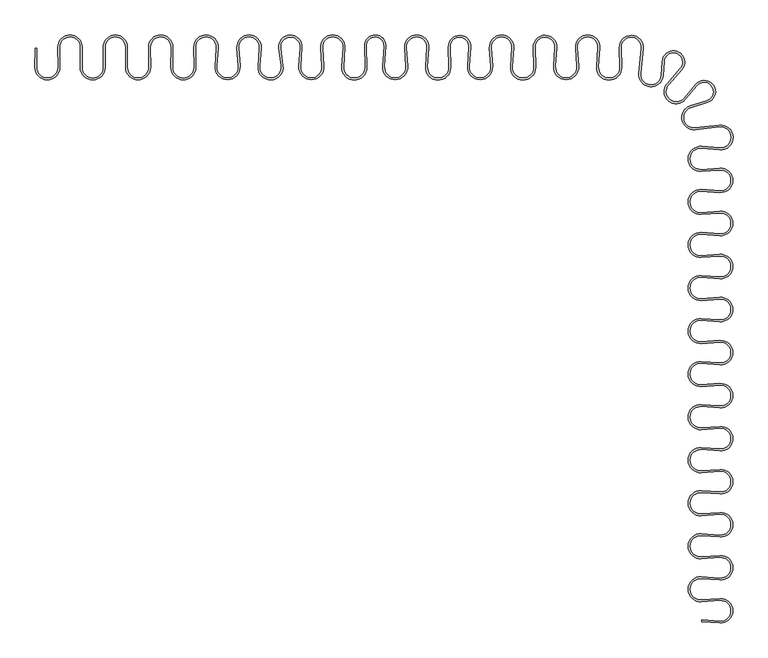
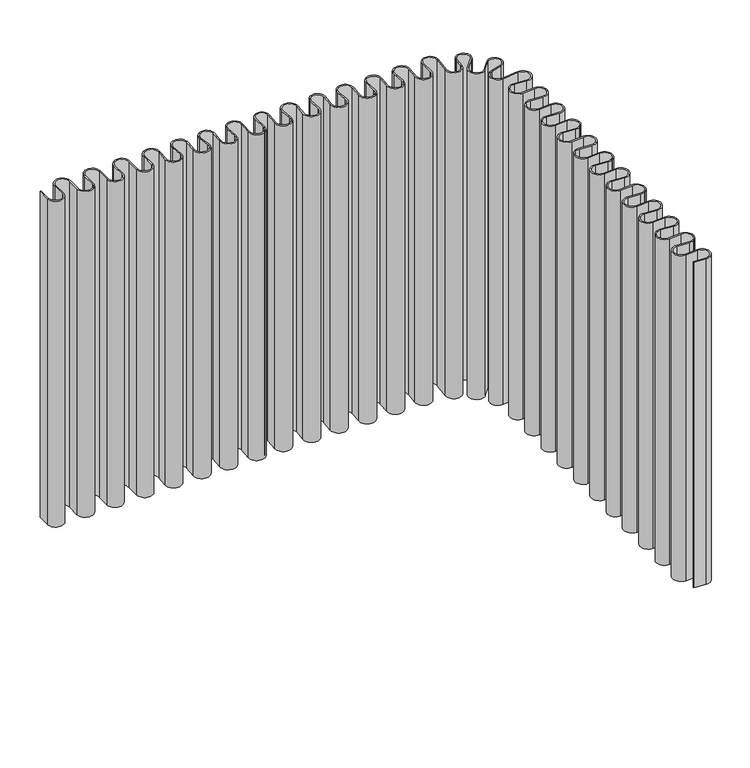
"""IFC4 building model written with IfcOpenShell, lengths in millimetres: furniture geometry."""

from ifc_helpers import new_model, si_unit, point, frame, frame_2d, origin, place, context, project, spatial, polyline, circle_curve, trimmed, segment, composite_curve, outline, extrude, source, transform, mapped, element, save


def furniture_e4f21b2a(model_context):
    return source(origin(), model_context, "Body", "SweptSolid", [
        extrude(outline(composite_curve([segment(polyline([(1247.5068659, -813.2319723), (1247.9999408, -808.1816992), (1298.786854, -811.7335267)]), True, "CONTINUOUS"), segment(trimmed(circle_curve(frame_2d((1300.7979475, -782.9772783)), 28.8264864), [point((1298.786854, -811.7335267))], [point((1298.786854, -754.22103))], True, "CARTESIAN"), True, "CONTINUOUS"), segment(polyline([(1298.786854, -754.22103), (1247.3657609, -757.8172094)]), True, "CONTINUOUS"), segment(trimmed(circle_curve(frame_2d((1244.9292017, -722.9773069)), 34.925), [point((1247.3657609, -757.8172094))], [point((1247.3657609, -688.1374045))], False, "CARTESIAN"), True, "CONTINUOUS"), segment(polyline([(1247.3657609, -688.1374045), (1298.8227085, -691.7360914)]), True, "CONTINUOUS"), segment(trimmed(circle_curve(frame_2d((1300.8339774, -662.9773355)), 28.829), [point((1298.8227085, -691.7360914))], [point((1298.8227085, -634.2185797))], True, "CARTESIAN"), True, "CONTINUOUS"), segment(polyline([(1298.8227085, -634.2185797), (1247.3668, -637.8171939)]), True, "CONTINUOUS"), segment(trimmed(circle_curve(frame_2d((1244.9302408, -602.9772915)), 34.925), [point((1247.3668, -637.8171939))], [point((1247.3668, -568.137389))], False, "CARTESIAN"), True, "CONTINUOUS"), segment(polyline([(1247.3668, -568.137389), (1298.8227085, -571.7360033)]), True, "CONTINUOUS"), segment(trimmed(circle_curve(frame_2d((1300.8339774, -542.9772474)), 28.829), [point((1298.8227085, -571.7360033))], [point((1298.8227085, -514.2184916))], True, "CARTESIAN"), True, "CONTINUOUS"), segment(polyline([(1298.8227085, -514.2184916), (1247.3655207, -517.8171953)]), True, "CONTINUOUS"), segment(trimmed(circle_curve(frame_2d((1244.9289614, -482.9772928)), 34.925), [point((1247.3655207, -517.8171953))], [point((1247.3655207, -448.1373904))], False, "CARTESIAN"), True, "CONTINUOUS"), segment(polyline([(1247.3655207, -448.1373904), (1298.8227085, -451.7360941)]), True, "CONTINUOUS"), segment(trimmed(circle_curve(frame_2d((1300.8339774, -422.9773382)), 28.829), [point((1298.8227085, -451.7360941))], [point((1298.8227085, -394.2185824))], True, "CARTESIAN"), True, "CONTINUOUS"), segment(polyline([(1298.8227085, -394.2185824), (1247.3660201, -397.8172512)]), True, "CONTINUOUS"), segment(trimmed(circle_curve(frame_2d((1244.9294609, -362.9773487)), 34.925), [point((1247.3660201, -397.8172512))], [point((1247.3660201, -328.1374462))], False, "CARTESIAN"), True, "CONTINUOUS"), segment(polyline([(1247.3660201, -328.1374462), (1298.8227085, -331.7361151)]), True, "CONTINUOUS"), segment(trimmed(circle_curve(frame_2d((1300.8339774, -302.9773592)), 28.829), [point((1298.8227085, -331.7361151))], [point((1298.8227085, -274.2186033))], True, "CARTESIAN"), True, "CONTINUOUS"), segment(polyline([(1298.8227085, -274.2186033), (1247.3665408, -277.8172357)]), True, "CONTINUOUS"), segment(trimmed(circle_curve(frame_2d((1244.9299816, -242.9773333)), 34.925), [point((1247.3665408, -277.8172357))], [point((1247.3665408, -208.1374308))], False, "CARTESIAN"), True, "CONTINUOUS"), segment(polyline([(1247.3665408, -208.1374308), (1298.8227085, -211.7360632)]), True, "CONTINUOUS"), segment(trimmed(circle_curve(frame_2d((1300.8339774, -182.9773073)), 28.829), [point((1298.8227085, -211.7360632))], [point((1298.8227085, -154.2185515))], True, "CARTESIAN"), True, "CONTINUOUS"), segment(polyline([(1298.8227085, -154.2185515), (1247.3660201, -157.8172203)]), True, "CONTINUOUS"), segment(trimmed(circle_curve(frame_2d((1244.9294608, -122.9773178)), 34.925), [point((1247.3660201, -157.8172203))], [point((1247.3660201, -88.1374154))], False, "CARTESIAN"), True, "CONTINUOUS"), segment(polyline([(1247.3660201, -88.1374154), (1298.8227085, -91.7360842)]), True, "CONTINUOUS"), segment(trimmed(circle_curve(frame_2d((1300.8339774, -62.9773283)), 28.829), [point((1298.8227085, -91.7360842))], [point((1298.8227085, -34.2185724))], True, "CARTESIAN"), True, "CONTINUOUS"), segment(polyline([(1298.8227085, -34.2185724), (1247.365761, -37.8172594)]), True, "CONTINUOUS"), segment(trimmed(circle_curve(frame_2d((1244.9292017, -2.9773569)), 34.925), [point((1247.365761, -37.8172594))], [point((1247.365761, 31.8625456))], False, "CARTESIAN"), True, "CONTINUOUS"), segment(polyline([(1247.365761, 31.8625456), (1298.8227085, 28.2638586)]), True, "CONTINUOUS"), segment(trimmed(circle_curve(frame_2d((1300.8339774, 57.0226145)), 28.829), [point((1298.8227085, 28.2638586))], [point((1298.8227085, 85.7813703))], True, "CARTESIAN"), True, "CONTINUOUS"), segment(polyline([(1298.8227085, 85.7813703), (1247.3662805, 82.1827197)]), True, "CONTINUOUS"), segment(trimmed(circle_curve(frame_2d((1244.9297212, 117.0226222)), 34.925), [point((1247.3662805, 82.1827197))], [point((1247.3662805, 151.8625247))], False, "CARTESIAN"), True, "CONTINUOUS"), segment(polyline([(1247.3662805, 151.8625247), (1298.8227085, 148.2638741)]), True, "CONTINUOUS"), segment(trimmed(circle_curve(frame_2d((1300.8339774, 177.0226299)), 28.829), [point((1298.8227085, 148.2638741))], [point((1298.8227085, 205.7813858))], True, "CARTESIAN"), True, "CONTINUOUS"), segment(polyline([(1298.8227085, 205.7813858), (1247.3662805, 202.1827352)]), True, "CONTINUOUS"), segment(trimmed(circle_curve(frame_2d((1244.9297212, 237.0226377)), 34.925), [point((1247.3662805, 202.1827352))], [point((1247.3662805, 271.8625401))], False, "CARTESIAN"), True, "CONTINUOUS"), segment(polyline([(1247.3662805, 271.8625401), (1298.8227085, 268.2638895)]), True, "CONTINUOUS"), segment(trimmed(circle_curve(frame_2d((1300.8339774, 297.0226454)), 28.829), [point((1298.8227085, 268.2638895))], [point((1298.8227085, 325.7814012))], True, "CARTESIAN"), True, "CONTINUOUS"), segment(polyline([(1298.8227085, 325.7814012), (1247.3662804, 322.1827506)]), True, "CONTINUOUS"), segment(trimmed(circle_curve(frame_2d((1244.9297212, 357.0226531)), 34.925), [point((1247.3662804, 322.1827506))], [point((1247.3662804, 391.8625556))], False, "CARTESIAN"), True, "CONTINUOUS"), segment(polyline([(1247.3662804, 391.8625556), (1298.8227085, 388.263905)]), True, "CONTINUOUS"), segment(trimmed(circle_curve(frame_2d((1300.8339774, 417.0226608)), 28.829), [point((1298.8227085, 388.263905))], [point((1298.8227085, 445.7814167))], True, "CARTESIAN"), True, "CONTINUOUS"), segment(polyline([(1298.8227085, 445.7814167), (1247.4030977, 442.1853409)]), True, "CONTINUOUS"), segment(trimmed(circle_curve(frame_2d((1244.9665384, 477.0252434)), 34.925), [point((1247.4030977, 442.1853409))], [point((1247.9561087, 511.8220549))], False, "CARTESIAN"), True, "CONTINUOUS"), segment(polyline([(1247.9561087, 511.8220549), (1298.0267531, 507.5202323)]), True, "CONTINUOUS"), segment(trimmed(circle_curve(frame_2d((1300.5594358, 536.9991459)), 29.5875113), [point((1298.0267531, 507.5202323))], [point((1297.2828271, 566.4046668))], True, "CARTESIAN"), True, "CONTINUOUS"), segment(polyline([(1297.2828271, 566.4046668), (1229.7123036, 558.8753948)]), True, "CONTINUOUS"), segment(trimmed(circle_curve(frame_2d((1225.9711848, 592.4496045)), 33.782), [point((1229.7123036, 558.8753948))], [point((1215.8418924, 624.6772472))], False, "CARTESIAN"), True, "CONTINUOUS"), segment(polyline([(1215.8418924, 624.6772472), (1262.6802664, 639.398758)]), True, "CONTINUOUS"), segment(trimmed(circle_curve(frame_2d((1254.8386815, 664.3477657)), 26.1523124), [point((1262.6802664, 639.398758))], [point((1234.8280333, 681.1857408))], True, "CARTESIAN"), True, "CONTINUOUS"), segment(polyline([(1234.8280333, 681.1857408), (1202.6976655, 643.0012511)]), True, "CONTINUOUS"), segment(trimmed(circle_curve(frame_2d((1176.827048, 664.7701018)), 33.8108224), [point((1202.6976655, 643.0012511))], [point((1151.475929, 687.1417909))], False, "CARTESIAN"), True, "CONTINUOUS"), segment(polyline([(1151.475929, 687.1417909), (1188.7031464, 729.3268765)]), True, "CONTINUOUS"), segment(trimmed(circle_curve(frame_2d((1169.1164475, 746.6116179)), 26.1228073), [point((1188.7031464, 729.3268765))], [point((1143.060142, 748.4744131))], True, "CARTESIAN"), True, "CONTINUOUS"), segment(polyline([(1143.060142, 748.4744131), (1140.2795642, 709.5803981)]), True, "CONTINUOUS"), segment(trimmed(circle_curve(frame_2d((1106.5556805, 711.9913572)), 33.809955), [point((1140.2795642, 709.5803981))], [point((1072.8894672, 715.1057007))], False, "CARTESIAN"), True, "CONTINUOUS"), segment(polyline([(1072.8894672, 715.1057007), (1079.4203091, 785.7044385)]), True, "CONTINUOUS"), segment(trimmed(circle_curve(frame_2d((1051.4905507, 788.2881226)), 28.0490076), [point((1079.4203091, 785.7044385))], [point((1023.4497606, 787.6092154))], True, "CARTESIAN"), True, "CONTINUOUS"), segment(polyline([(1023.4497606, 787.6092154), (1024.7883505, 732.3216642)]), True, "CONTINUOUS"), segment(trimmed(circle_curve(frame_2d((989.8735824, 731.4763282)), 34.925), [point((1024.7883505, 732.3216642))], [point((955.03368, 733.9128894))], False, "CARTESIAN"), True, "CONTINUOUS"), segment(polyline([(955.03368, 733.9128894), (958.7031364, 786.3817142)]), True, "CONTINUOUS"), segment(trimmed(circle_curve(frame_2d((929.9536471, 788.3923366)), 28.8197109), [point((958.7031364, 786.3817142))], [point((901.2041591, 786.3816951))], True, "CARTESIAN"), True, "CONTINUOUS"), segment(polyline([(901.2041591, 786.3816951), (904.793557, 735.0581007)]), True, "CONTINUOUS"), segment(trimmed(circle_curve(frame_2d((869.9536563, 732.6215164)), 34.925), [point((904.793557, 735.0581007))], [point((835.1137557, 735.0581027))], False, "CARTESIAN"), True, "CONTINUOUS"), segment(polyline([(835.1137557, 735.0581027), (838.7345032, 786.8299126)]), True, "CONTINUOUS"), segment(trimmed(circle_curve(frame_2d((811.1159639, 788.7614611)), 27.686), [point((838.7345032, 786.8299126))], [point((783.438075, 788.0913402))], True, "CARTESIAN"), True, "CONTINUOUS"), segment(polyline([(783.438075, 788.0913402), (784.7883377, 732.3216642)]), True, "CONTINUOUS"), segment(trimmed(circle_curve(frame_2d((749.8735696, 731.4763282)), 34.925), [point((784.7883377, 732.3216642))], [point((715.0336673, 733.9128894))], False, "CARTESIAN"), True, "CONTINUOUS"), segment(polyline([(715.0336673, 733.9128894), (718.7031236, 786.3817142)]), True, "CONTINUOUS"), segment(trimmed(circle_curve(frame_2d((689.9536343, 788.3923366)), 28.8197109), [point((718.7031236, 786.3817142))], [point((661.2041464, 786.3816951))], True, "CARTESIAN"), True, "CONTINUOUS"), segment(polyline([(661.2041464, 786.3816951), (664.7935442, 735.0581007)]), True, "CONTINUOUS"), segment(trimmed(circle_curve(frame_2d((629.9536435, 732.6215164)), 34.925), [point((664.7935442, 735.0581007))], [point((595.113743, 735.0581027))], False, "CARTESIAN"), True, "CONTINUOUS"), segment(polyline([(595.113743, 735.0581027), (598.8316952, 788.2198082)]), True, "CONTINUOUS"), segment(trimmed(circle_curve(frame_2d((572.7344374, 790.0449633)), 26.1610025), [point((598.8316952, 788.2198082))], [point((546.5810992, 789.411754))], True, "CARTESIAN"), True, "CONTINUOUS"), segment(polyline([(546.5810992, 789.411754), (547.9633311, 732.3216642)]), True, "CONTINUOUS"), segment(trimmed(circle_curve(frame_2d((513.048563, 731.4763282)), 34.925), [point((547.9633311, 732.3216642))], [point((478.2086606, 733.9128894))], False, "CARTESIAN"), True, "CONTINUOUS"), segment(polyline([(478.2086606, 733.9128894), (481.878117, 786.3817142)]), True, "CONTINUOUS"), segment(trimmed(circle_curve(frame_2d((453.1286276, 788.3923366)), 28.8197109), [point((481.878117, 786.3817142))], [point((424.3791397, 786.3816951))], True, "CARTESIAN"), True, "CONTINUOUS"), segment(polyline([(424.3791397, 786.3816951), (427.9685376, 735.0581007)]), True, "CONTINUOUS"), segment(trimmed(circle_curve(frame_2d((393.1286368, 732.6215164)), 34.925), [point((427.9685376, 735.0581007))], [point((358.2887363, 735.0581027))], False, "CARTESIAN"), True, "CONTINUOUS"), segment(polyline([(358.2887363, 735.0581027), (362.1755684, 790.634564)]), True, "CONTINUOUS"), segment(trimmed(circle_curve(frame_2d((337.5513822, 792.3566974)), 24.6843329), [point((362.1755684, 790.634564))], [point((312.874281, 791.7592298))], True, "CARTESIAN"), True, "CONTINUOUS"), segment(polyline([(312.874281, 791.7592298), (314.3133486, 732.3216642)]), True, "CONTINUOUS"), segment(trimmed(circle_curve(frame_2d((279.3985805, 731.4763282)), 34.925), [point((314.3133486, 732.3216642))], [point((244.5586782, 733.9128894))], False, "CARTESIAN"), True, "CONTINUOUS"), segment(polyline([(244.5586782, 733.9128894), (248.2281345, 786.3817142)]), True, "CONTINUOUS"), segment(trimmed(circle_curve(frame_2d((219.4786452, 788.3923366)), 28.8197109), [point((248.2281345, 786.3817142))], [point((190.7291572, 786.3816951))], True, "CARTESIAN"), True, "CONTINUOUS"), segment(polyline([(190.7291572, 786.3816951), (194.3185551, 735.0581007)]), True, "CONTINUOUS"), segment(trimmed(circle_curve(frame_2d((159.4786544, 732.6215164)), 34.925), [point((194.3185551, 735.0581007))], [point((124.6387538, 735.0581027))], False, "CARTESIAN"), True, "CONTINUOUS"), segment(polyline([(124.6387538, 735.0581027), (128.2988715, 787.3928521)]), True, "CONTINUOUS"), segment(trimmed(circle_curve(frame_2d((101.0398988, 789.2992536)), 27.325555), [point((128.2988715, 787.3928521))], [point((73.9512946, 785.7085046))], True, "CARTESIAN"), True, "CONTINUOUS"), segment(polyline([(73.9512946, 785.7085046), (80.4431451, 736.7339951)]), True, "CONTINUOUS"), segment(trimmed(circle_curve(frame_2d((45.8299736, 732.1458218)), 34.9159416), [point((80.4431451, 736.7339951))], [point((10.9970492, 734.5521387))], False, "CARTESIAN"), True, "CONTINUOUS"), segment(polyline([(10.9970492, 734.5521387), (14.5755584, 786.3532701)]), True, "CONTINUOUS"), segment(trimmed(circle_curve(frame_2d((-14.1494313, 788.3376406)), 28.79345), [point((14.5755584, 786.3532701))], [point((-42.8727223, 786.3288312))], True, "CARTESIAN"), True, "CONTINUOUS"), segment(polyline([(-42.8727223, 786.3288312), (-39.2870215, 735.0581007)]), True, "CONTINUOUS"), segment(trimmed(circle_curve(frame_2d((-74.1269223, 732.6215164)), 34.925), [point((-39.2870215, 735.0581007))], [point((-108.9668228, 735.0581027))], False, "CARTESIAN"), True, "CONTINUOUS"), segment(polyline([(-108.9668228, 735.0581027), (-105.393721, 786.1486427)]), True, "CONTINUOUS"), segment(trimmed(circle_curve(frame_2d((-134.1274246, 788.158182)), 28.8038881), [point((-105.393721, 786.1486427))], [point((-162.930712, 787.9721668))], True, "CARTESIAN"), True, "CONTINUOUS"), segment(polyline([(-162.930712, 787.9721668), (-162.5709614, 732.2670493)]), True, "CONTINUOUS"), segment(trimmed(circle_curve(frame_2d((-197.2850129, 732.0428617)), 34.7147754), [point((-162.5709614, 732.2670493))], [point((-231.9990641, 732.2670969))], False, "CARTESIAN"), True, "CONTINUOUS"), segment(polyline([(-231.9990641, 732.2670969), (-231.63837, 788.106459)]), True, "CONTINUOUS"), segment(trimmed(circle_curve(frame_2d((-260.4610207, 788.2926388)), 28.8232519), [point((-231.63837, 788.106459))], [point((-289.2835031, 788.0820289))], True, "CARTESIAN"), True, "CONTINUOUS"), segment(polyline([(-289.2835031, 788.0820289), (-288.8758352, 732.2916659)]), True, "CONTINUOUS"), segment(trimmed(circle_curve(frame_2d((-323.6735458, 732.0373942)), 34.7986396), [point((-288.8758352, 732.2916659))], [point((-358.4714597, 732.2621209))], False, "CARTESIAN"), True, "CONTINUOUS"), segment(polyline([(-358.4714597, 732.2621209), (-358.1106457, 788.1325295)]), True, "CONTINUOUS"), segment(trimmed(circle_curve(frame_2d((-386.8711897, 788.3182666)), 28.7611437), [point((-358.1106457, 788.1325295))], [point((-415.6317337, 788.1325274))], True, "CARTESIAN"), True, "CONTINUOUS"), segment(polyline([(-415.6317337, 788.1325274), (-415.2703741, 732.1782689)]), True, "CONTINUOUS"), segment(trimmed(circle_curve(frame_2d((-450.0674188, 731.9535453)), 34.7977703), [point((-415.2703741, 732.1782689))], [point((-484.8644632, 732.1783171))], False, "CARTESIAN"), True, "CONTINUOUS"), segment(polyline([(-484.8644632, 732.1783171), (-484.5015627, 788.3591379)]), True, "CONTINUOUS"), segment(trimmed(circle_curve(frame_2d((-513.2434971, 788.5447967)), 28.742534), [point((-484.5015627, 788.3591379))], [point((-541.9852639, 788.3347766))], True, "CARTESIAN"), True, "CONTINUOUS"), segment(polyline([(-541.9852639, 788.3347766), (-541.5752606, 732.2248228)]), True, "CONTINUOUS"), segment(trimmed(circle_curve(frame_2d((-576.394663, 731.9703926)), 34.8203319), [point((-541.5752606, 732.2248228))], [point((-611.2142684, 732.1953102))], False, "CARTESIAN"), True, "CONTINUOUS"), segment(polyline([(-611.2142684, 732.1953102), (-610.8685999, 785.7084378), (-605.8179634, 785.2186319), (-606.1564316, 732.8756285)]), True, "CONTINUOUS"), segment(trimmed(circle_curve(frame_2d((-576.3961034, 732.6831878)), 29.7609504), [point((-606.1564316, 732.8756285))], [point((-546.6357755, 732.8756681))], True, "CARTESIAN"), True, "CONTINUOUS"), segment(polyline([(-546.6357755, 732.8756681), (-546.9955684, 788.5050089)]), True, "CONTINUOUS"), segment(trimmed(circle_curve(frame_2d((-513.2211854, 788.7234509)), 33.7750894), [point((-546.9955684, 788.5050089))], [point((-479.4468018, 788.505103))], False, "CARTESIAN"), True, "CONTINUOUS"), segment(polyline([(-479.4468018, 788.505103), (-479.8099204, 732.3373753)]), True, "CONTINUOUS"), segment(trimmed(circle_curve(frame_2d((-450.0461481, 732.1449556)), 29.7643943), [point((-479.8099204, 732.3373753))], [point((-420.282376, 732.3374171))], True, "CARTESIAN"), True, "CONTINUOUS"), segment(polyline([(-420.282376, 732.3374171), (-420.6458342, 788.5454589)]), True, "CONTINUOUS"), segment(trimmed(circle_curve(frame_2d((-386.8711919, 788.763856)), 33.7753484), [point((-420.6458342, 788.5454589))], [point((-353.0965493, 788.5455064))], False, "CARTESIAN"), True, "CONTINUOUS"), segment(polyline([(-353.0965493, 788.5455064), (-353.4580921, 732.6215433)]), True, "CONTINUOUS"), segment(trimmed(circle_curve(frame_2d((-323.6961571, 732.4291354)), 29.7625569), [point((-353.4580921, 732.6215433))], [point((-293.9342225, 732.6215829))], True, "CARTESIAN"), True, "CONTINUOUS"), segment(polyline([(-293.9342225, 732.6215829), (-294.2966512, 788.6710456)]), True, "CONTINUOUS"), segment(trimmed(circle_curve(frame_2d((-260.521237, 788.8894452)), 33.7761203), [point((-294.2966512, 788.6710456))], [point((-226.7458225, 788.6710905))], False, "CARTESIAN"), True, "CONTINUOUS"), segment(polyline([(-226.7458225, 788.6710905), (-227.1094419, 732.4259075)]), True, "CONTINUOUS"), segment(trimmed(circle_curve(frame_2d((-197.346202, 732.2334912)), 29.7638619), [point((-227.1094419, 732.4259075))], [point((-167.5829624, 732.4259493))], True, "CARTESIAN"), True, "CONTINUOUS"), segment(polyline([(-167.5829624, 732.4259493), (-167.9465204, 788.6494295)]), True, "CONTINUOUS"), segment(trimmed(circle_curve(frame_2d((-134.0742889, 788.8684576)), 33.8729397), [point((-167.9465204, 788.6494295))], [point((-100.28389, 786.5051983))], False, "CARTESIAN"), True, "CONTINUOUS"), segment(polyline([(-100.28389, 786.5051983), (-103.8992003, 734.8127016)]), True, "CONTINUOUS"), segment(trimmed(circle_curve(frame_2d((-74.126926, 732.730465)), 29.845), [point((-103.8992003, 734.8127016))], [point((-44.3546513, 734.8126955))], True, "CARTESIAN"), True, "CONTINUOUS"), segment(polyline([(-44.3546513, 734.8126955), (-47.9575284, 786.3275729)]), True, "CONTINUOUS"), segment(trimmed(circle_curve(frame_2d((-14.1491242, 788.6920845)), 33.8909886), [point((-47.9575284, 786.3275729))], [point((19.6592765, 786.327524))], False, "CARTESIAN"), True, "CONTINUOUS"), segment(polyline([(19.6592765, 786.327524), (16.0614346, 734.8857102)]), True, "CONTINUOUS"), segment(trimmed(circle_curve(frame_2d((45.8089106, 732.8051708)), 29.8201437), [point((16.0614346, 734.8857102))], [point((75.3671634, 736.7486039))], True, "CARTESIAN"), True, "CONTINUOUS"), segment(polyline([(75.3671634, 736.7486039), (68.839694, 785.6756642)]), True, "CONTINUOUS"), segment(trimmed(circle_curve(frame_2d((101.0196011, 789.9688581)), 32.4650263), [point((68.839694, 785.6756642))], [point((133.4055172, 787.7038265))], False, "CARTESIAN"), True, "CONTINUOUS"), segment(polyline([(133.4055172, 787.7038265), (129.7063764, 734.8127016)]), True, "CONTINUOUS"), segment(trimmed(circle_curve(frame_2d((159.4786507, 732.730465)), 29.845), [point((129.7063764, 734.8127016))], [point((189.2509254, 734.8126955))], True, "CARTESIAN"), True, "CONTINUOUS"), segment(polyline([(189.2509254, 734.8126955), (185.653691, 786.2468916)]), True, "CONTINUOUS"), segment(trimmed(circle_curve(frame_2d((219.4786455, 788.6125607)), 33.9075794), [point((185.653691, 786.2468916))], [point((253.3035996, 786.2468846))], False, "CARTESIAN"), True, "CONTINUOUS"), segment(polyline([(253.3035996, 786.2468846), (249.6852183, 734.5104767)]), True, "CONTINUOUS"), segment(trimmed(circle_curve(frame_2d((279.4482479, 732.4288867)), 29.8357327), [point((249.6852183, 734.5104767))], [point((309.2746139, 733.1764403))], True, "CARTESIAN"), True, "CONTINUOUS"), segment(polyline([(309.2746139, 733.1764403), (307.8021022, 791.9276398)]), True, "CONTINUOUS"), segment(trimmed(circle_curve(frame_2d((337.5615565, 792.6735164)), 29.7688), [point((307.8021022, 791.9276398))], [point((367.2578164, 790.5965961))], False, "CARTESIAN"), True, "CONTINUOUS"), segment(polyline([(367.2578164, 790.5965961), (363.3563589, 734.8127016)]), True, "CONTINUOUS"), segment(trimmed(circle_curve(frame_2d((393.1286331, 732.730465)), 29.845), [point((363.3563589, 734.8127016))], [point((422.9009078, 734.8126955))], True, "CARTESIAN"), True, "CONTINUOUS"), segment(polyline([(422.9009078, 734.8126955), (419.3036734, 786.2468916)]), True, "CONTINUOUS"), segment(trimmed(circle_curve(frame_2d((453.128628, 788.6125607)), 33.9075794), [point((419.3036734, 786.2468916))], [point((486.953582, 786.2468846))], False, "CARTESIAN"), True, "CONTINUOUS"), segment(polyline([(486.953582, 786.2468846), (483.3352007, 734.5104767)]), True, "CONTINUOUS"), segment(trimmed(circle_curve(frame_2d((513.0982303, 732.4288867)), 29.8357327), [point((483.3352007, 734.5104767))], [point((542.9245963, 733.1764403))], True, "CARTESIAN"), True, "CONTINUOUS"), segment(polyline([(542.9245963, 733.1764403), (541.512254, 789.5269645)]), True, "CONTINUOUS"), segment(trimmed(circle_curve(frame_2d((572.7444458, 790.3097531)), 31.242), [point((541.512254, 789.5269645))], [point((603.9103159, 788.1300501))], False, "CARTESIAN"), True, "CONTINUOUS"), segment(polyline([(603.9103159, 788.1300501), (600.1813655, 734.8127016)]), True, "CONTINUOUS"), segment(trimmed(circle_curve(frame_2d((629.9536398, 732.730465)), 29.845), [point((600.1813655, 734.8127016))], [point((659.7259145, 734.8126955))], True, "CARTESIAN"), True, "CONTINUOUS"), segment(polyline([(659.7259145, 734.8126955), (656.1286801, 786.2468916)]), True, "CONTINUOUS"), segment(trimmed(circle_curve(frame_2d((689.9536347, 788.6125607)), 33.9075794), [point((656.1286801, 786.2468916))], [point((723.7785887, 786.2468846))], False, "CARTESIAN"), True, "CONTINUOUS"), segment(polyline([(723.7785887, 786.2468846), (720.1602074, 734.5104767)]), True, "CONTINUOUS"), segment(trimmed(circle_curve(frame_2d((749.923237, 732.4288867)), 29.8357327), [point((720.1602074, 734.5104767))], [point((779.749603, 733.1764403))], True, "CARTESIAN"), True, "CONTINUOUS"), segment(polyline([(779.749603, 733.1764403), (778.3706161, 788.1961296)]), True, "CONTINUOUS"), segment(trimmed(circle_curve(frame_2d((811.1263294, 789.017103)), 32.766), [point((778.3706161, 788.1961296))], [point((843.8124859, 786.731073))], False, "CARTESIAN"), True, "CONTINUOUS"), segment(polyline([(843.8124859, 786.731073), (840.1813783, 734.8127016)]), True, "CONTINUOUS"), segment(trimmed(circle_curve(frame_2d((869.9536525, 732.730465)), 29.845), [point((840.1813783, 734.8127016))], [point((899.7259272, 734.8126955))], True, "CARTESIAN"), True, "CONTINUOUS"), segment(polyline([(899.7259272, 734.8126955), (896.1286928, 786.2468916)]), True, "CONTINUOUS"), segment(trimmed(circle_curve(frame_2d((929.9536474, 788.6125607)), 33.9075794), [point((896.1286928, 786.2468916))], [point((963.7786014, 786.2468846))], False, "CARTESIAN"), True, "CONTINUOUS"), segment(polyline([(963.7786014, 786.2468846), (960.1602201, 734.5104767)]), True, "CONTINUOUS"), segment(trimmed(circle_curve(frame_2d((989.9232497, 732.4288867)), 29.8357327), [point((960.1602201, 734.5104767))], [point((1019.7496157, 733.1764403))], True, "CARTESIAN"), True, "CONTINUOUS"), segment(polyline([(1019.7496157, 733.1764403), (1018.3857321, 787.5935272)]), True, "CONTINUOUS"), segment(trimmed(circle_curve(frame_2d((1051.5008614, 788.4235089)), 33.1255288), [point((1018.3857321, 787.5935272))], [point((1084.4855584, 785.3722101))], False, "CARTESIAN"), True, "CONTINUOUS"), segment(polyline([(1084.4855584, 785.3722101), (1077.9588551, 714.81821)]), True, "CONTINUOUS"), segment(trimmed(circle_curve(frame_2d((1106.5704413, 712.1714524)), 28.7337465), [point((1077.9588551, 714.81821))], [point((1135.2310388, 710.1224668))], True, "CARTESIAN"), True, "CONTINUOUS"), segment(polyline([(1135.2310388, 710.1224668), (1138.0262267, 749.2207186)]), True, "CONTINUOUS"), segment(trimmed(circle_curve(frame_2d((1169.2738325, 746.9867841)), 31.3273576), [point((1138.0262267, 749.2207186))], [point((1192.7628692, 726.2583377))], False, "CARTESIAN"), True, "CONTINUOUS"), segment(polyline([(1192.7628692, 726.2583377), (1155.5238856, 684.0599098)]), True, "CONTINUOUS"), segment(trimmed(circle_curve(frame_2d((1177.0649409, 665.0505049)), 28.7293323), [point((1155.5238856, 684.0599098))], [point((1199.0474162, 646.5533344))], True, "CARTESIAN"), True, "CONTINUOUS"), segment(polyline([(1199.0474162, 646.5533344), (1231.2500364, 684.8236907)]), True, "CONTINUOUS"), segment(trimmed(circle_curve(frame_2d((1255.2522743, 664.6269895)), 31.369), [point((1231.2500364, 684.8236907))], [point((1264.6580459, 634.7013212))], False, "CARTESIAN"), True, "CONTINUOUS"), segment(polyline([(1264.6580459, 634.7013212), (1217.3075407, 619.8188453)]), True, "CONTINUOUS"), segment(trimmed(circle_curve(frame_2d((1225.9136313, 592.4374646)), 28.702), [point((1217.3075407, 619.8188453))], [point((1229.0921835, 563.9120092))], True, "CARTESIAN"), True, "CONTINUOUS"), segment(polyline([(1229.0921835, 563.9120092), (1296.9987564, 571.4787452)]), True, "CONTINUOUS"), segment(trimmed(circle_curve(frame_2d((1300.8379568, 537.0243993)), 34.6675844), [point((1296.9987564, 571.4787452))], [point((1297.8997356, 502.4815525))], False, "CARTESIAN"), True, "CONTINUOUS"), segment(polyline([(1297.8997356, 502.4815525), (1247.584393, 506.7613852)]), True, "CONTINUOUS"), segment(trimmed(circle_curve(frame_2d((1245.0549058, 477.0237706)), 29.845), [point((1247.584393, 506.7613852))], [point((1247.1371793, 447.2514989))], True, "CARTESIAN"), True, "CONTINUOUS"), segment(polyline([(1247.1371793, 447.2514989), (1298.647367, 450.8541229)]), True, "CONTINUOUS"), segment(trimmed(circle_curve(frame_2d((1301.0135352, 417.0227351)), 33.9140318), [point((1298.647367, 450.8541229))], [point((1298.6474648, 383.1913405))], False, "CARTESIAN"), True, "CONTINUOUS"), segment(polyline([(1298.6474648, 383.1913405), (1247.1213279, 386.7949303)]), True, "CONTINUOUS"), segment(trimmed(circle_curve(frame_2d((1245.0391405, 357.0226525)), 29.845), [point((1247.1213279, 386.7949303))], [point((1247.121414, 327.2503808))], True, "CARTESIAN"), True, "CONTINUOUS"), segment(polyline([(1247.121414, 327.2503808), (1298.647367, 330.8541075)]), True, "CONTINUOUS"), segment(trimmed(circle_curve(frame_2d((1301.0135352, 297.0227197)), 33.9140318), [point((1298.647367, 330.8541075))], [point((1298.6474648, 263.191325))], False, "CARTESIAN"), True, "CONTINUOUS"), segment(polyline([(1298.6474648, 263.191325), (1247.1213279, 266.7949148)]), True, "CONTINUOUS"), segment(trimmed(circle_curve(frame_2d((1245.0391405, 237.0226371)), 29.845), [point((1247.1213279, 266.7949148))], [point((1247.121414, 207.2503654))], True, "CARTESIAN"), True, "CONTINUOUS"), segment(polyline([(1247.121414, 207.2503654), (1298.647367, 210.854092)]), True, "CONTINUOUS"), segment(trimmed(circle_curve(frame_2d((1301.0135352, 177.0227042)), 33.9140318), [point((1298.647367, 210.854092))], [point((1298.6474648, 143.1913096))], False, "CARTESIAN"), True, "CONTINUOUS"), segment(polyline([(1298.6474648, 143.1913096), (1247.1213279, 146.7948994)]), True, "CONTINUOUS"), segment(trimmed(circle_curve(frame_2d((1245.0391405, 117.0226216)), 29.845), [point((1247.1213279, 146.7948994))], [point((1247.121414, 87.2503499))], True, "CARTESIAN"), True, "CONTINUOUS"), segment(polyline([(1247.121414, 87.2503499), (1298.647367, 90.8540766)]), True, "CONTINUOUS"), segment(trimmed(circle_curve(frame_2d((1301.0135352, 57.0226888)), 33.9140318), [point((1298.647367, 90.8540766))], [point((1298.6474648, 23.1912942))], False, "CARTESIAN"), True, "CONTINUOUS"), segment(polyline([(1298.6474648, 23.1912942), (1247.1208085, 26.7949202)]), True, "CONTINUOUS"), segment(trimmed(circle_curve(frame_2d((1245.038621, -2.9773575)), 29.845), [point((1247.1208085, 26.7949202))], [point((1247.1208945, -32.7496292))], True, "CARTESIAN"), True, "CONTINUOUS"), segment(polyline([(1247.1208945, -32.7496292), (1298.647367, -29.1458662)]), True, "CONTINUOUS"), segment(trimmed(circle_curve(frame_2d((1301.0135352, -62.977254)), 33.9140318), [point((1298.647367, -29.1458662))], [point((1298.6474648, -96.8086486))], False, "CARTESIAN"), True, "CONTINUOUS"), segment(polyline([(1298.6474648, -96.8086486), (1247.1210676, -93.2050407)]), True, "CONTINUOUS"), segment(trimmed(circle_curve(frame_2d((1245.0388801, -122.9773184)), 29.845), [point((1247.1210676, -93.2050407))], [point((1247.1211536, -152.7495901))], True, "CARTESIAN"), True, "CONTINUOUS"), segment(polyline([(1247.1211536, -152.7495901), (1298.647367, -149.1458453)]), True, "CONTINUOUS"), segment(trimmed(circle_curve(frame_2d((1301.0135352, -182.977233)), 33.9140318), [point((1298.647367, -149.1458453))], [point((1298.6474648, -216.8086277))], False, "CARTESIAN"), True, "CONTINUOUS"), segment(polyline([(1298.6474648, -216.8086277), (1247.1215883, -213.2050561)]), True, "CONTINUOUS"), segment(trimmed(circle_curve(frame_2d((1245.0394009, -242.9773338)), 29.845), [point((1247.1215883, -213.2050561))], [point((1247.1216744, -272.7496055))], True, "CARTESIAN"), True, "CONTINUOUS"), segment(polyline([(1247.1216744, -272.7496055), (1298.647367, -269.1458971)]), True, "CONTINUOUS"), segment(trimmed(circle_curve(frame_2d((1301.0135352, -302.9772849)), 33.9140318), [point((1298.647367, -269.1458971))], [point((1298.6474648, -336.8086795))], False, "CARTESIAN"), True, "CONTINUOUS"), segment(polyline([(1298.6474648, -336.8086795), (1247.1210676, -333.2050716)]), True, "CONTINUOUS"), segment(trimmed(circle_curve(frame_2d((1245.0388802, -362.9773493)), 29.845), [point((1247.1210676, -333.2050716))], [point((1247.1211537, -392.749621))], True, "CARTESIAN"), True, "CONTINUOUS"), segment(polyline([(1247.1211537, -392.749621), (1298.647367, -389.1458762)]), True, "CONTINUOUS"), segment(trimmed(circle_curve(frame_2d((1301.0135352, -422.9772639)), 33.9140318), [point((1298.647367, -389.1458762))], [point((1298.6474648, -456.8086586))], False, "CARTESIAN"), True, "CONTINUOUS"), segment(polyline([(1298.6474648, -456.8086586), (1247.1205682, -453.2050157)]), True, "CONTINUOUS"), segment(trimmed(circle_curve(frame_2d((1245.0383808, -482.9772934)), 29.845), [point((1247.1205682, -453.2050157))], [point((1247.1206543, -512.7495651))], True, "CARTESIAN"), True, "CONTINUOUS"), segment(polyline([(1247.1206543, -512.7495651), (1298.647367, -509.1457853)]), True, "CONTINUOUS"), segment(trimmed(circle_curve(frame_2d((1301.0135352, -542.9771731)), 33.9140318), [point((1298.647367, -509.1457853))], [point((1298.6474648, -576.8085677))], False, "CARTESIAN"), True, "CONTINUOUS"), segment(polyline([(1298.6474648, -576.8085677), (1247.1218475, -573.2050143)]), True, "CONTINUOUS"), segment(trimmed(circle_curve(frame_2d((1245.03966, -602.977292)), 29.845), [point((1247.1218475, -573.2050143))], [point((1247.1219336, -632.7495637))], True, "CARTESIAN"), True, "CONTINUOUS"), segment(polyline([(1247.1219336, -632.7495637), (1298.647367, -629.1458735)]), True, "CONTINUOUS"), segment(trimmed(circle_curve(frame_2d((1301.0135352, -662.9772612)), 33.9140318), [point((1298.647367, -629.1458735))], [point((1298.6474648, -696.8086559))], False, "CARTESIAN"), True, "CONTINUOUS"), segment(polyline([(1298.6474648, -696.8086559), (1247.1208004, -693.2050292)]), True, "CONTINUOUS"), segment(trimmed(circle_curve(frame_2d((1245.038613, -722.9773069)), 29.845), [point((1247.1208004, -693.2050292))], [point((1247.1208004, -752.7495846))], True, "CARTESIAN"), True, "CONTINUOUS"), segment(polyline([(1247.1208004, -752.7495846), (1298.4621576, -749.1589178)]), True, "CONTINUOUS"), segment(trimmed(circle_curve(frame_2d((1300.8273216, -782.9773523)), 33.90104), [point((1298.4621576, -749.1589178))], [point((1298.4620598, -816.79578))], False, "CARTESIAN"), True, "CONTINUOUS"), segment(polyline([(1298.4620598, -816.79578), (1247.5068659, -813.2319723)]), True, "CONTINUOUS")], self_intersect=False)), frame((0.0, 0.0, 14.9860005), z_axis=(0.0, 0.0, 1.0), x_axis=(1.0, 0.0, 0.0)), (0.0, 0.0, 1.0), 1465.7069995),
    ])


if __name__ == "__main__":
    model = new_model("IFC4")
    model_context = context("Model", 3, world=origin())
    ifc_project = project(units=[si_unit("LENGTHUNIT", "METRE", prefix="MILLI")], contexts=[model_context])
    site = spatial("IfcSite", under=ifc_project)
    building = spatial("IfcBuilding", under=site)
    placement = place(None, origin())
    furniture_shape = furniture_e4f21b2a(model_context)
    element("IfcFurniture", 1, at=placement, inside=building, context=model_context, shape_type="MappedRepresentation", body=[
        mapped(furniture_shape, transform((0.0, 0.0, 0.0), x_axis=(1.0, 0.0, 0.0), y_axis=(0.0, 1.0, 0.0), z_axis=(0.0, 0.0, 1.0))),
    ])
    save(model, "model.ifc")
